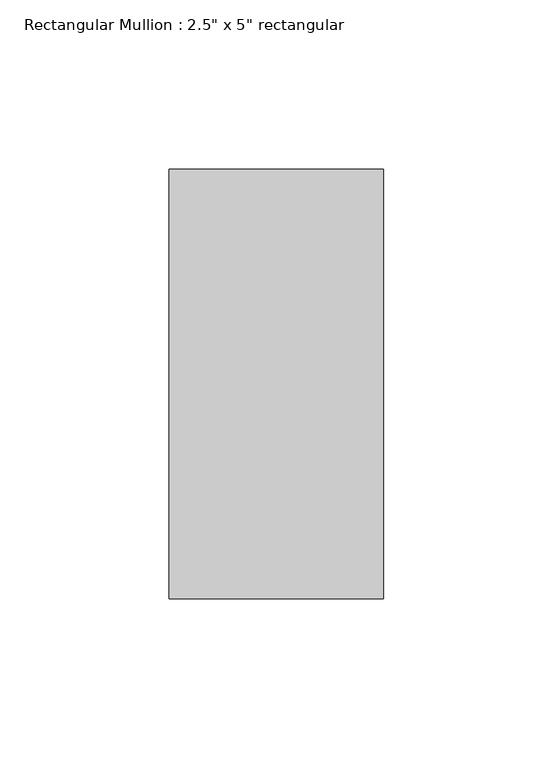
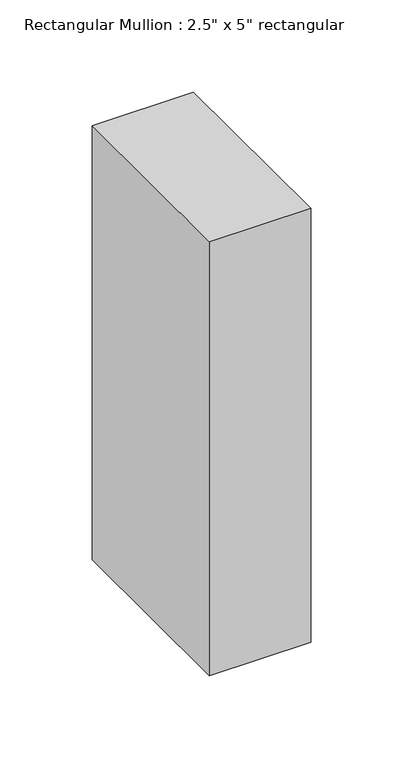
"""IFC4 building model written with IfcOpenShell, lengths in millimetres: member geometry."""

from ifc_helpers import new_model, si_unit, frame, origin, place, context, project, spatial, polyline, outline, extrude, source, transform, mapped, element, save


def member_1cec665f(model_context):
    return source(origin(), model_context, "Body", "SweptSolid", [
        extrude(outline(polyline([(0.0, 63.5), (0.0, -63.5), (-63.5, -63.5), (-63.5, 63.5), (0.0, 63.5)])), frame((0.0, 0.0, -287.4301113), z_axis=(0.0, 0.0, 1.0), x_axis=(1.0, 0.0, 0.0)), (0.0, 0.0, 1.0), 287.4301113),
    ])


if __name__ == "__main__":
    model = new_model("IFC4")
    model_context = context("Model", 3, world=origin())
    ifc_project = project(units=[si_unit("LENGTHUNIT", "METRE", prefix="MILLI")], contexts=[model_context])
    site = spatial("IfcSite", under=ifc_project)
    building = spatial("IfcBuilding", under=site)
    placement = place(None, origin())
    member_shape = member_1cec665f(model_context)
    element("IfcMember", 1, ObjectType="Rectangular Mullion : 2.5\" x 5\" rectangular", at=placement, inside=building, context=model_context, shape_type="MappedRepresentation", body=[
        mapped(member_shape, transform((0.0, 0.0, 0.0), x_axis=(1.0, 0.0, 0.0), y_axis=(0.0, 1.0, 0.0), z_axis=(0.0, 0.0, 1.0))),
    ])
    save(model, "model.ifc")
